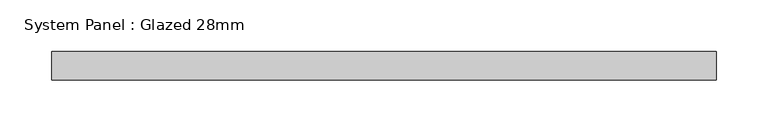
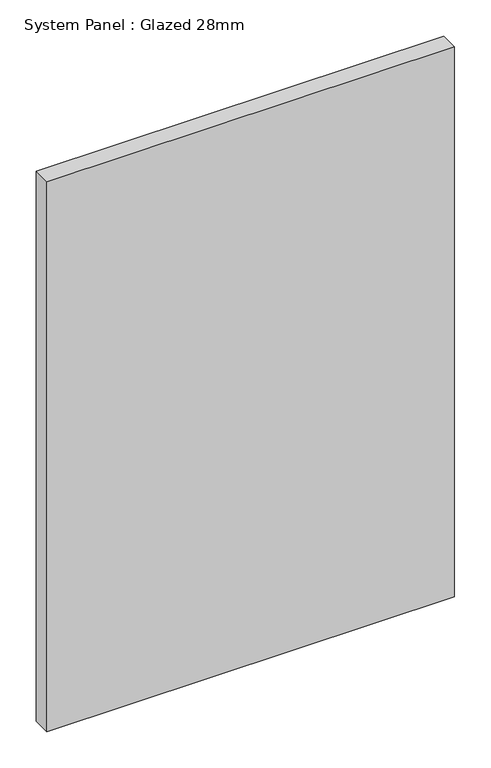
"""IFC4 building model written with IfcOpenShell, lengths in millimetres: plate geometry, System Panel : Glazed 28mm."""

import ifcopenshell
import ifcopenshell.guid

model = None  # the IFC model being written
_history = None  # IfcOwnerHistory: only IFC2X3 demands one
_inside = {}  # id of a spatial element -> (the spatial element, [elements in it])
_under = {}  # id of a project, library or spatial element -> (it, [spatial elements below it])
_declared = {}  # id of a project -> (the project, [libraries it declares])
_typed = {}  # id of a type object -> (the type object, [elements of that type])
_made_of = {}  # id of a material, layer set ... -> (it, [elements and type objects made of it])


def new_model(schema):
    """Start an empty IFC model of exactly this schema.

    Asked for "IFC4X3", IfcOpenShell would pick the latest addendum, in which some entities
    have other attributes; the version numbers below select the first issue.
    IFC2X3 requires an IfcOwnerHistory on every rooted entity: one is made here for all.
    """
    global model, _history
    if schema == "IFC4X3":
        model = ifcopenshell.file(schema_version=(4, 3, 0, 0))
    else:
        model = ifcopenshell.file(schema=schema)
    _inside.clear()
    _under.clear()
    _declared.clear()
    _typed.clear()
    _made_of.clear()
    _history = None
    if model.schema == "IFC2X3":
        org = make("IfcOrganization", Name="unknown")
        user = make(
            "IfcPersonAndOrganization",
            ThePerson=make("IfcPerson", FamilyName="unknown"),
            TheOrganization=org,
        )
        app = make(
            "IfcApplication",
            ApplicationDeveloper=org,
            Version="unknown",
            ApplicationFullName="unknown",
            ApplicationIdentifier="unknown",
        )
        _history = make(
            "IfcOwnerHistory",
            OwningUser=user,
            OwningApplication=app,
            ChangeAction="ADDED",
            CreationDate=0,
        )
    return model


def make(cls, **values):
    """One entity of the class cls with the attributes given. An attribute that is None is left unset."""
    return model.create_entity(
        cls, **{name: value for name, value in values.items() if value is not None}
    )


def rooted(cls, **values):
    """An entity with a GlobalId (a new one), such as an element, a storey or a relation."""
    return make(cls, GlobalId=ifcopenshell.guid.new(), OwnerHistory=_history, **values)


def si_unit(unit_type, name, prefix=None):
    """IfcSIUnit, for example si_unit("LENGTHUNIT", "METRE", prefix="MILLI")."""
    return make("IfcSIUnit", UnitType=unit_type, Prefix=prefix, Name=name)


def assignment(units):
    """IfcUnitAssignment: the units of a project."""
    return None if units is None else make("IfcUnitAssignment", Units=units)


def point(xyz):
    """IfcCartesianPoint."""
    return None if xyz is None else make("IfcCartesianPoint", Coordinates=xyz)


def direction(xyz):
    """IfcDirection."""
    return None if xyz is None else make("IfcDirection", DirectionRatios=xyz)


def frame(location, z_axis=None, x_axis=None):
    """IfcAxis2Placement3D, a coordinate frame: its origin and axes. An axis left out is left unset."""
    return make(
        "IfcAxis2Placement3D",
        Location=point(location),
        Axis=direction(z_axis),
        RefDirection=direction(x_axis),
    )


def origin():
    """The frame at (0, 0, 0) with its axes left unset."""
    return frame((0.0, 0.0, 0.0))


def origin_with_axes():
    """The frame at (0, 0, 0) with the z axis (0, 0, 1) and the x axis (1, 0, 0) written out."""
    return frame((0.0, 0.0, 0.0), z_axis=(0.0, 0.0, 1.0), x_axis=(1.0, 0.0, 0.0))


def place(relative_to, where):
    """IfcLocalPlacement: puts the frame where relative to a parent placement (None: the world)."""
    return make(
        "IfcLocalPlacement", PlacementRelTo=relative_to, RelativePlacement=where
    )


def context(
    kind, dimensions, precision=None, world=None, true_north=None, identifier=None
):
    """IfcGeometricRepresentationContext, for example the 3D "Model" context."""
    return make(
        "IfcGeometricRepresentationContext",
        ContextIdentifier=identifier,
        ContextType=kind,
        CoordinateSpaceDimension=dimensions,
        Precision=precision,
        WorldCoordinateSystem=world,
        TrueNorth=true_north,
    )


def project(units=None, contexts=None):
    """IfcProject with its units and contexts."""
    return rooted(
        "IfcProject",
        Name="project",
        RepresentationContexts=contexts,
        UnitsInContext=assignment(units),
    )


def spatial(cls, under=None, at=None, **own):
    """A site, building, storey or space (cls), placed at a placement, below another one or the project."""
    s = rooted(cls, ObjectPlacement=at, **own)
    if under is not None:
        _under.setdefault(under.id(), (under, []))[1].append(s)
    return s


def polyline(points):
    """IfcPolyline through the points."""
    return make("IfcPolyline", Points=[point(p) for p in points])


def outline(outer, holes=None, kind="AREA"):
    """IfcArbitraryClosedProfileDef: a profile drawn as a closed curve; with holes, ...WithVoids."""
    if holes is None:
        return make("IfcArbitraryClosedProfileDef", ProfileType=kind, OuterCurve=outer)
    return make(
        "IfcArbitraryProfileDefWithVoids",
        ProfileType=kind,
        OuterCurve=outer,
        InnerCurves=holes,
    )


def extrude(swept, where, along, depth):
    """IfcExtrudedAreaSolid: the profile swept, set in the frame where, extruded along a direction by depth."""
    return make(
        "IfcExtrudedAreaSolid",
        SweptArea=swept,
        Position=where,
        ExtrudedDirection=direction(along),
        Depth=depth,
    )


def shape(context_of_items, identifier, shape_type, items):
    """IfcShapeRepresentation: the items that make up one representation, for example the "Body"."""
    return make(
        "IfcShapeRepresentation",
        ContextOfItems=context_of_items,
        RepresentationIdentifier=identifier,
        RepresentationType=shape_type,
        Items=items,
    )


def source(mapping_origin, context_of_items, identifier, shape_type, items):
    """IfcRepresentationMap: a shape defined once, which mapped items show again and again."""
    return make(
        "IfcRepresentationMap",
        MappingOrigin=mapping_origin,
        MappedRepresentation=shape(context_of_items, identifier, shape_type, items),
    )


def transform(
    local_origin,
    x_axis=None,
    y_axis=None,
    z_axis=None,
    scale=None,
    scale2=None,
    scale3=None,
    uniform=True,
):
    """IfcCartesianTransformationOperator3D, or its non-uniform kind. x_axis, y_axis, z_axis: its Axis1, 2, 3."""
    if uniform:
        return make(
            "IfcCartesianTransformationOperator3D",
            Axis1=direction(x_axis),
            Axis2=direction(y_axis),
            LocalOrigin=point(local_origin),
            Scale=scale,
            Axis3=direction(z_axis),
        )
    return make(
        "IfcCartesianTransformationOperator3DnonUniform",
        Axis1=direction(x_axis),
        Axis2=direction(y_axis),
        LocalOrigin=point(local_origin),
        Scale=scale,
        Axis3=direction(z_axis),
        Scale2=scale2,
        Scale3=scale3,
    )


def mapped(mapping_source, mapping_target):
    """IfcMappedItem: shows the shape of a source again, moved by a transform."""
    return make(
        "IfcMappedItem", MappingSource=mapping_source, MappingTarget=mapping_target
    )


def made_of(thing, what):
    """Note that an element or type object is made of a material, layer set ...; save() writes the relation."""
    if what is not None:
        _made_of.setdefault(what.id(), (what, []))[1].append(thing)
    return thing


def element(
    cls,
    number,
    at=None,
    inside=None,
    cuts=None,
    type_object=None,
    material=None,
    context=None,
    identifier="Body",
    shape_type=None,
    held_by="IfcProductDefinitionShape",
    body=None,
    shapes=None,
    **own,
):
    """One element of the class cls, such as IfcWall. Its Tag is "e" and its number.

    at: its placement. inside: the storey or other place that contains it. cuts: it is an
    opening in that element (IfcRelVoidsElement). A single representation is given by context,
    identifier, shape_type and body (its items); several are given by shapes. held_by: the class
    of the entity that holds the representations. save() writes the other relations.
    """
    e = rooted(cls, Tag="e%d" % number, ObjectPlacement=at, **own)
    if body is not None:
        shapes = [shape(context, identifier, shape_type, body)]
    if shapes is not None:
        e.Representation = make(held_by, Representations=shapes)
    if inside is not None:
        _inside.setdefault(inside.id(), (inside, []))[1].append(e)
    if cuts is not None:
        rooted(
            "IfcRelVoidsElement", RelatingBuildingElement=cuts, RelatedOpeningElement=e
        )
    if type_object is not None:
        _typed.setdefault(type_object.id(), (type_object, []))[1].append(e)
    return made_of(e, material)


def aggregate(whole, parts):
    """IfcRelAggregates: a whole, such as a stair, and the parts it consists of."""
    return rooted("IfcRelAggregates", RelatingObject=whole, RelatedObjects=parts)


def save(model, path):
    """Write the relations noted so far, then the file.

    IfcRelAggregates (storeys below a building ...), IfcRelContainedInSpatialStructure (elements
    in a storey), IfcRelDefinesByType, IfcRelAssociatesMaterial and IfcRelDeclares: one each for
    every whole, place, type object, material and project.
    """
    for whole, parts in _under.values():
        aggregate(whole, parts)
    for where, things in _inside.values():
        rooted(
            "IfcRelContainedInSpatialStructure",
            RelatedElements=things,
            RelatingStructure=where,
        )
    for kind, things in _typed.values():
        rooted("IfcRelDefinesByType", RelatedObjects=things, RelatingType=kind)
    for what, things in _made_of.values():
        rooted("IfcRelAssociatesMaterial", RelatedObjects=things, RelatingMaterial=what)
    for by, libraries in _declared.values():
        rooted("IfcRelDeclares", RelatingContext=by, RelatedDefinitions=libraries)
    model.write(path)


def system_panel_glazed_28mm_c95cfd74(model_context):
    return source(origin(), model_context, "Body", "SweptSolid", [
        extrude(outline(polyline([(322.5993923, -14.0), (-322.5993923, -14.0), (-322.5993923, 14.0), (322.5993923, 14.0), (322.5993923, -14.0)])), origin_with_axes(), (0.0, 0.0, 1.0), 920.6831639),
    ])


if __name__ == "__main__":
    model = new_model("IFC4")
    model_context = context("Model", 3, world=origin())
    ifc_project = project(units=[si_unit("LENGTHUNIT", "METRE", prefix="MILLI")], contexts=[model_context])
    site = spatial("IfcSite", under=ifc_project)
    building = spatial("IfcBuilding", under=site)
    placement = place(None, origin())
    system_panel_glazed_28mm_shape = system_panel_glazed_28mm_c95cfd74(model_context)
    element("IfcPlate", 1, ObjectType="System Panel : Glazed 28mm", at=placement, inside=building, context=model_context, shape_type="MappedRepresentation", body=[
        mapped(system_panel_glazed_28mm_shape, transform((0.0, 0.0, 0.0), x_axis=(1.0, 0.0, 0.0), y_axis=(0.0, 1.0, 0.0), z_axis=(0.0, 0.0, 1.0))),
    ])
    save(model, "model.ifc")
